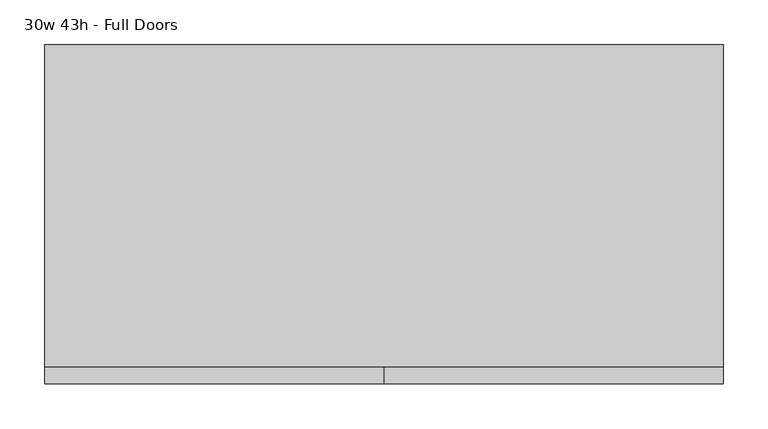
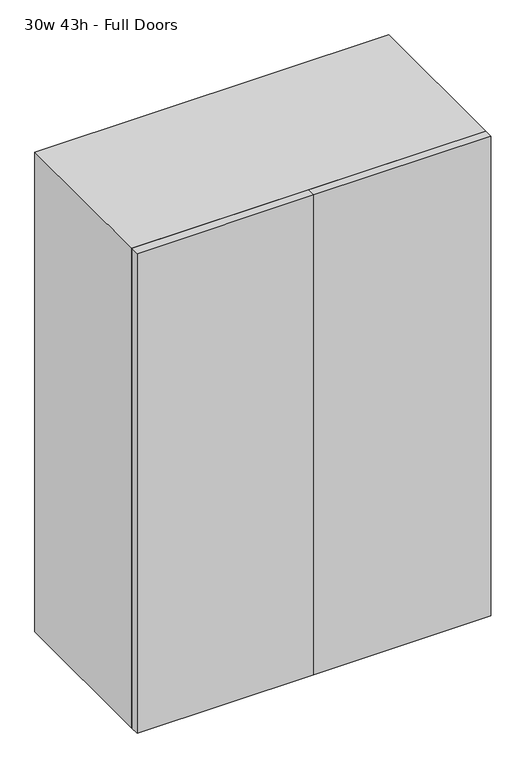
"""IFC4 building model written with IfcOpenShell, lengths in millimetres: furniture geometry, 30w 43h - Full Doors."""

from ifc_helpers import new_model, si_unit, frame, origin, place, context, project, spatial, polyline, outline, extrude, source, transform, mapped, element, save


def furniture_30w_43h_full_doors_c5f594c8(model_context):
    return source(origin(), model_context, "Body", "SweptSolid", [
        extrude(outline(polyline([(361.9569453, 161.925), (361.9569453, -180.975), (-361.9291641, -180.975), (-361.9291641, 161.925), (361.9569453, 161.925)])), frame((0.0, 0.0, 1461.5583333), z_axis=(0.0, 0.0, 1.0), x_axis=(1.0, 0.0, 0.0)), (0.0, 0.0, 1.0), 19.05),
        extrude(outline(polyline([(361.9569453, 161.925), (361.9569453, -180.975), (-361.9291641, -180.975), (-361.9291641, 161.925), (361.9569453, 161.925)])), frame((0.0, 0.0, 1084.7916667), z_axis=(0.0, 0.0, 1.0), x_axis=(1.0, 0.0, 0.0)), (0.0, 0.0, 1.0), 19.05),
        extrude(outline(polyline([(0.0138906, -200.025), (0.0138906, -180.975), (381.0138906, -180.975), (381.0138906, -200.025), (0.0138906, -200.025)])), frame((0.0, 0.0, 736.6), z_axis=(0.0, 0.0, 1.0), x_axis=(1.0, 0.0, 0.0)), (0.0, 0.0, 1.0), 1092.2),
        extrude(outline(polyline([(0.0138906, -200.025), (-380.9861094, -200.025), (-380.9861094, -180.975), (0.0138906, -180.975), (0.0138906, -200.025)])), frame((0.0, 0.0, 736.6), z_axis=(0.0, 0.0, 1.0), x_axis=(1.0, 0.0, 0.0)), (0.0, 0.0, 1.0), 1092.2),
        extrude(outline(polyline([(736.6, -380.9861094), (736.6, 381.0138906), (1828.8, 381.0138906), (1828.8, -380.9861094), (736.6, -380.9861094)]), holes=[polyline([(755.65, -361.9361094), (1809.75, -361.9361094), (1809.75, 361.9569453), (755.65, 361.9569453), (755.65, -361.9361094)])]), frame((0.0, -180.975, 0.0), z_axis=(0.0, 1.0, 0.0), x_axis=(0.0, 0.0, 1.0)), (0.0, 0.0, 1.0), 361.95),
        extrude(outline(polyline([(-361.9291641, 161.925), (-361.9291641, 180.975), (361.9569453, 180.975), (361.9569453, 161.925), (-361.9291641, 161.925)])), frame((0.0, 0.0, 755.65), z_axis=(0.0, 0.0, 1.0), x_axis=(1.0, 0.0, 0.0)), (0.0, 0.0, 1.0), 1054.1),
    ])


if __name__ == "__main__":
    model = new_model("IFC4")
    model_context = context("Model", 3, world=origin())
    ifc_project = project(units=[si_unit("LENGTHUNIT", "METRE", prefix="MILLI")], contexts=[model_context])
    site = spatial("IfcSite", under=ifc_project)
    building = spatial("IfcBuilding", under=site)
    placement = place(None, origin())
    furniture_30w_43h_full_doors_shape = furniture_30w_43h_full_doors_c5f594c8(model_context)
    element("IfcFurniture", 1, ObjectType="30w 43h - Full Doors", at=placement, inside=building, context=model_context, shape_type="MappedRepresentation", body=[
        mapped(furniture_30w_43h_full_doors_shape, transform((0.0, 0.0, 0.0), x_axis=(1.0, 0.0, 0.0), y_axis=(0.0, 1.0, 0.0), z_axis=(0.0, 0.0, 1.0))),
    ])
    save(model, "model.ifc")
